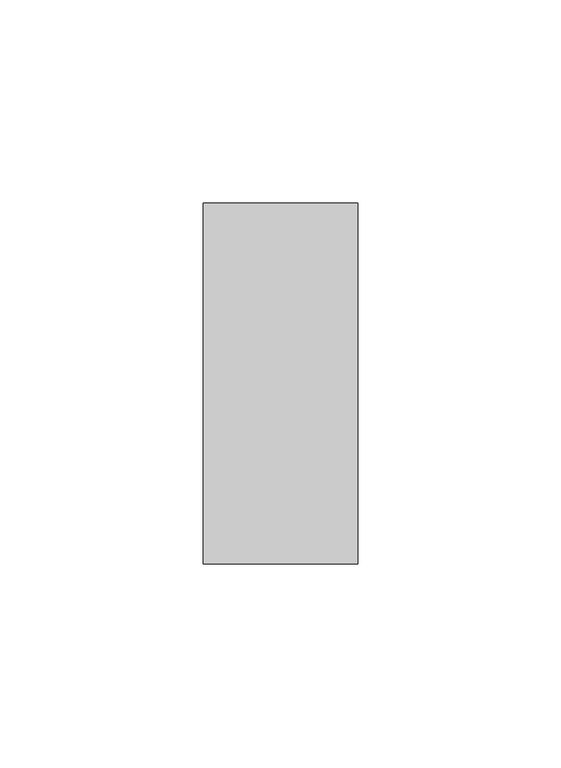
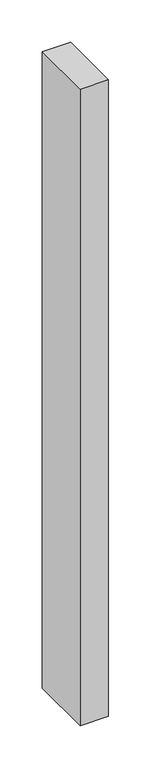
"""IFC4 building model written with IfcOpenShell, lengths in millimetres: proxy geometry."""

import ifcopenshell
import ifcopenshell.guid

model = None  # the IFC model being written
_history = None  # IfcOwnerHistory: only IFC2X3 demands one
_inside = {}  # id of a spatial element -> (the spatial element, [elements in it])
_under = {}  # id of a project, library or spatial element -> (it, [spatial elements below it])
_declared = {}  # id of a project -> (the project, [libraries it declares])
_typed = {}  # id of a type object -> (the type object, [elements of that type])
_made_of = {}  # id of a material, layer set ... -> (it, [elements and type objects made of it])


def new_model(schema):
    """Start an empty IFC model of exactly this schema.

    Asked for "IFC4X3", IfcOpenShell would pick the latest addendum, in which some entities
    have other attributes; the version numbers below select the first issue.
    IFC2X3 requires an IfcOwnerHistory on every rooted entity: one is made here for all.
    """
    global model, _history
    if schema == "IFC4X3":
        model = ifcopenshell.file(schema_version=(4, 3, 0, 0))
    else:
        model = ifcopenshell.file(schema=schema)
    _inside.clear()
    _under.clear()
    _declared.clear()
    _typed.clear()
    _made_of.clear()
    _history = None
    if model.schema == "IFC2X3":
        org = make("IfcOrganization", Name="unknown")
        user = make(
            "IfcPersonAndOrganization",
            ThePerson=make("IfcPerson", FamilyName="unknown"),
            TheOrganization=org,
        )
        app = make(
            "IfcApplication",
            ApplicationDeveloper=org,
            Version="unknown",
            ApplicationFullName="unknown",
            ApplicationIdentifier="unknown",
        )
        _history = make(
            "IfcOwnerHistory",
            OwningUser=user,
            OwningApplication=app,
            ChangeAction="ADDED",
            CreationDate=0,
        )
    return model


def make(cls, **values):
    """One entity of the class cls with the attributes given. An attribute that is None is left unset."""
    return model.create_entity(
        cls, **{name: value for name, value in values.items() if value is not None}
    )


def rooted(cls, **values):
    """An entity with a GlobalId (a new one), such as an element, a storey or a relation."""
    return make(cls, GlobalId=ifcopenshell.guid.new(), OwnerHistory=_history, **values)


def si_unit(unit_type, name, prefix=None):
    """IfcSIUnit, for example si_unit("LENGTHUNIT", "METRE", prefix="MILLI")."""
    return make("IfcSIUnit", UnitType=unit_type, Prefix=prefix, Name=name)


def assignment(units):
    """IfcUnitAssignment: the units of a project."""
    return None if units is None else make("IfcUnitAssignment", Units=units)


def point(xyz):
    """IfcCartesianPoint."""
    return None if xyz is None else make("IfcCartesianPoint", Coordinates=xyz)


def direction(xyz):
    """IfcDirection."""
    return None if xyz is None else make("IfcDirection", DirectionRatios=xyz)


def frame(location, z_axis=None, x_axis=None):
    """IfcAxis2Placement3D, a coordinate frame: its origin and axes. An axis left out is left unset."""
    return make(
        "IfcAxis2Placement3D",
        Location=point(location),
        Axis=direction(z_axis),
        RefDirection=direction(x_axis),
    )


def origin():
    """The frame at (0, 0, 0) with its axes left unset."""
    return frame((0.0, 0.0, 0.0))


def place(relative_to, where):
    """IfcLocalPlacement: puts the frame where relative to a parent placement (None: the world)."""
    return make(
        "IfcLocalPlacement", PlacementRelTo=relative_to, RelativePlacement=where
    )


def context(
    kind, dimensions, precision=None, world=None, true_north=None, identifier=None
):
    """IfcGeometricRepresentationContext, for example the 3D "Model" context."""
    return make(
        "IfcGeometricRepresentationContext",
        ContextIdentifier=identifier,
        ContextType=kind,
        CoordinateSpaceDimension=dimensions,
        Precision=precision,
        WorldCoordinateSystem=world,
        TrueNorth=true_north,
    )


def project(units=None, contexts=None):
    """IfcProject with its units and contexts."""
    return rooted(
        "IfcProject",
        Name="project",
        RepresentationContexts=contexts,
        UnitsInContext=assignment(units),
    )


def spatial(cls, under=None, at=None, **own):
    """A site, building, storey or space (cls), placed at a placement, below another one or the project."""
    s = rooted(cls, ObjectPlacement=at, **own)
    if under is not None:
        _under.setdefault(under.id(), (under, []))[1].append(s)
    return s


def polyline(points):
    """IfcPolyline through the points."""
    return make("IfcPolyline", Points=[point(p) for p in points])


def outline(outer, holes=None, kind="AREA"):
    """IfcArbitraryClosedProfileDef: a profile drawn as a closed curve; with holes, ...WithVoids."""
    if holes is None:
        return make("IfcArbitraryClosedProfileDef", ProfileType=kind, OuterCurve=outer)
    return make(
        "IfcArbitraryProfileDefWithVoids",
        ProfileType=kind,
        OuterCurve=outer,
        InnerCurves=holes,
    )


def extrude(swept, where, along, depth):
    """IfcExtrudedAreaSolid: the profile swept, set in the frame where, extruded along a direction by depth."""
    return make(
        "IfcExtrudedAreaSolid",
        SweptArea=swept,
        Position=where,
        ExtrudedDirection=direction(along),
        Depth=depth,
    )


def shape(context_of_items, identifier, shape_type, items):
    """IfcShapeRepresentation: the items that make up one representation, for example the "Body"."""
    return make(
        "IfcShapeRepresentation",
        ContextOfItems=context_of_items,
        RepresentationIdentifier=identifier,
        RepresentationType=shape_type,
        Items=items,
    )


def source(mapping_origin, context_of_items, identifier, shape_type, items):
    """IfcRepresentationMap: a shape defined once, which mapped items show again and again."""
    return make(
        "IfcRepresentationMap",
        MappingOrigin=mapping_origin,
        MappedRepresentation=shape(context_of_items, identifier, shape_type, items),
    )


def transform(
    local_origin,
    x_axis=None,
    y_axis=None,
    z_axis=None,
    scale=None,
    scale2=None,
    scale3=None,
    uniform=True,
):
    """IfcCartesianTransformationOperator3D, or its non-uniform kind. x_axis, y_axis, z_axis: its Axis1, 2, 3."""
    if uniform:
        return make(
            "IfcCartesianTransformationOperator3D",
            Axis1=direction(x_axis),
            Axis2=direction(y_axis),
            LocalOrigin=point(local_origin),
            Scale=scale,
            Axis3=direction(z_axis),
        )
    return make(
        "IfcCartesianTransformationOperator3DnonUniform",
        Axis1=direction(x_axis),
        Axis2=direction(y_axis),
        LocalOrigin=point(local_origin),
        Scale=scale,
        Axis3=direction(z_axis),
        Scale2=scale2,
        Scale3=scale3,
    )


def mapped(mapping_source, mapping_target):
    """IfcMappedItem: shows the shape of a source again, moved by a transform."""
    return make(
        "IfcMappedItem", MappingSource=mapping_source, MappingTarget=mapping_target
    )


def made_of(thing, what):
    """Note that an element or type object is made of a material, layer set ...; save() writes the relation."""
    if what is not None:
        _made_of.setdefault(what.id(), (what, []))[1].append(thing)
    return thing


def element(
    cls,
    number,
    at=None,
    inside=None,
    cuts=None,
    type_object=None,
    material=None,
    context=None,
    identifier="Body",
    shape_type=None,
    held_by="IfcProductDefinitionShape",
    body=None,
    shapes=None,
    **own,
):
    """One element of the class cls, such as IfcWall. Its Tag is "e" and its number.

    at: its placement. inside: the storey or other place that contains it. cuts: it is an
    opening in that element (IfcRelVoidsElement). A single representation is given by context,
    identifier, shape_type and body (its items); several are given by shapes. held_by: the class
    of the entity that holds the representations. save() writes the other relations.
    """
    e = rooted(cls, Tag="e%d" % number, ObjectPlacement=at, **own)
    if body is not None:
        shapes = [shape(context, identifier, shape_type, body)]
    if shapes is not None:
        e.Representation = make(held_by, Representations=shapes)
    if inside is not None:
        _inside.setdefault(inside.id(), (inside, []))[1].append(e)
    if cuts is not None:
        rooted(
            "IfcRelVoidsElement", RelatingBuildingElement=cuts, RelatedOpeningElement=e
        )
    if type_object is not None:
        _typed.setdefault(type_object.id(), (type_object, []))[1].append(e)
    return made_of(e, material)


def aggregate(whole, parts):
    """IfcRelAggregates: a whole, such as a stair, and the parts it consists of."""
    return rooted("IfcRelAggregates", RelatingObject=whole, RelatedObjects=parts)


def save(model, path):
    """Write the relations noted so far, then the file.

    IfcRelAggregates (storeys below a building ...), IfcRelContainedInSpatialStructure (elements
    in a storey), IfcRelDefinesByType, IfcRelAssociatesMaterial and IfcRelDeclares: one each for
    every whole, place, type object, material and project.
    """
    for whole, parts in _under.values():
        aggregate(whole, parts)
    for where, things in _inside.values():
        rooted(
            "IfcRelContainedInSpatialStructure",
            RelatedElements=things,
            RelatingStructure=where,
        )
    for kind, things in _typed.values():
        rooted("IfcRelDefinesByType", RelatedObjects=things, RelatingType=kind)
    for what, things in _made_of.values():
        rooted("IfcRelAssociatesMaterial", RelatedObjects=things, RelatingMaterial=what)
    for by, libraries in _declared.values():
        rooted("IfcRelDeclares", RelatingContext=by, RelatedDefinitions=libraries)
    model.write(path)


def generic_models_baec33c2(model_context):
    return source(origin(), model_context, "Body", "SweptSolid", [
        extrude(outline(polyline([(36952.7377561, -24052.6529904), (36914.6377561, -24052.6529904), (36914.6377561, -23963.7529904), (36952.7377561, -23963.7529904), (36952.7377561, -24052.6529904)])), frame((0.0, 0.0, 1524.0), z_axis=(0.0, 0.0, 1.0), x_axis=(1.0, 0.0, 0.0)), (0.0, 0.0, 1.0), 914.4),
    ])


if __name__ == "__main__":
    model = new_model("IFC4")
    model_context = context("Model", 3, world=origin())
    ifc_project = project(units=[si_unit("LENGTHUNIT", "METRE", prefix="MILLI")], contexts=[model_context])
    site = spatial("IfcSite", under=ifc_project)
    building = spatial("IfcBuilding", under=site)
    placement = place(None, origin())
    generic_models_shape = generic_models_baec33c2(model_context)
    element("IfcBuildingElementProxy", 1, Name="Generic Models", at=placement, inside=building, context=model_context, shape_type="MappedRepresentation", body=[
        mapped(generic_models_shape, transform((0.0, 0.0, 0.0), x_axis=(1.0, 0.0, 0.0), y_axis=(0.0, 1.0, 0.0), z_axis=(0.0, 0.0, 1.0))),
    ])
    save(model, "model.ifc")
